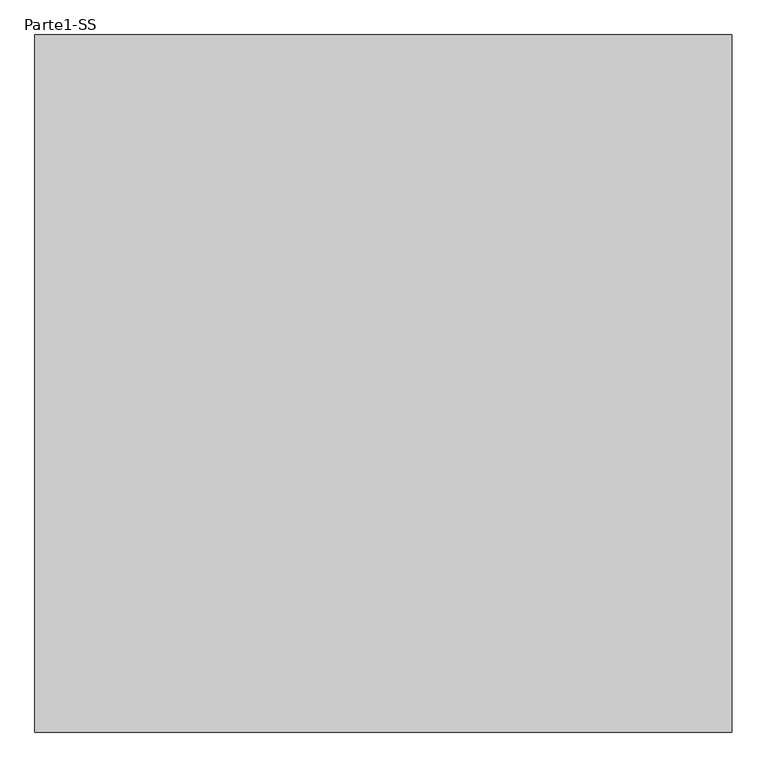
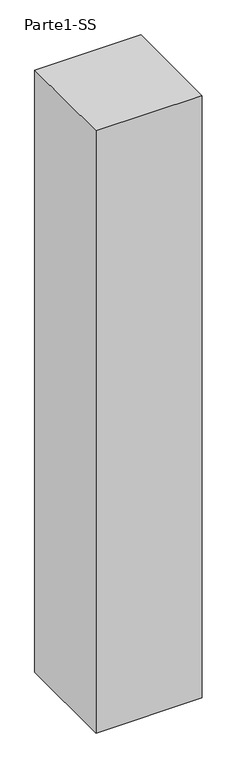
"""IFC4 building model written with IfcOpenShell, lengths in millimetres: proxy geometry, Parte1-SS."""

from ifc_helpers import new_model, si_unit, frame, origin, place, context, project, spatial, polyline, outline, extrude, source, transform, mapped, element, save


def parte1_ss_a68ecd1c(model_context):
    return source(origin(), model_context, "Body", "SweptSolid", [
        extrude(outline(polyline([(2000.0, 2000.0), (2000.0, 0.0), (0.0, 0.0), (0.0, 2000.0), (2000.0, 2000.0)])), frame((0.0, 0.0, 5000.0), z_axis=(0.0, 0.0, 1.0), x_axis=(1.0, 0.0, 0.0)), (0.0, 0.0, 1.0), 12000.0),
    ])


if __name__ == "__main__":
    model = new_model("IFC4")
    model_context = context("Model", 3, world=origin())
    ifc_project = project(units=[si_unit("LENGTHUNIT", "METRE", prefix="MILLI")], contexts=[model_context])
    site = spatial("IfcSite", under=ifc_project)
    building = spatial("IfcBuilding", under=site)
    placement = place(None, origin())
    parte1_ss_shape = parte1_ss_a68ecd1c(model_context)
    element("IfcBuildingElementProxy", 1, Name="Parte1-SS", ObjectType="Parte1-SS", at=placement, inside=building, context=model_context, shape_type="MappedRepresentation", body=[
        mapped(parte1_ss_shape, transform((0.0, 0.0, 0.0), x_axis=(1.0, 0.0, 0.0), y_axis=(0.0, 1.0, 0.0), z_axis=(0.0, 0.0, 1.0))),
    ])
    save(model, "model.ifc")
